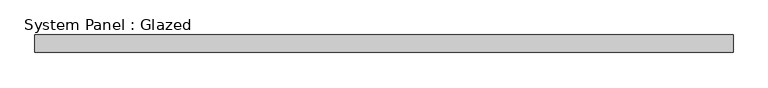
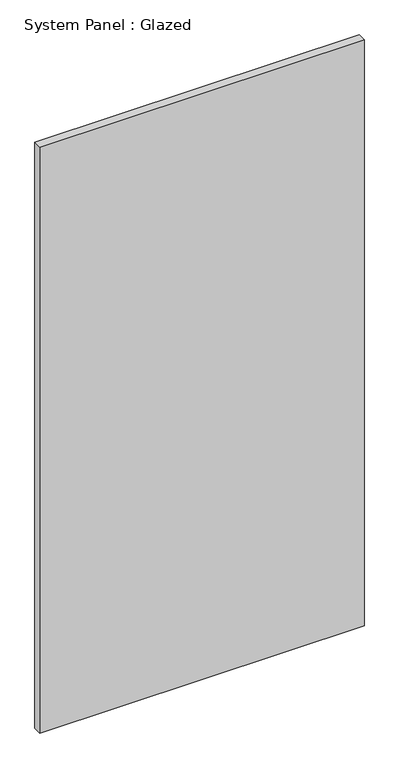
"""IFC4 building model written with IfcOpenShell, lengths in millimetres: plate geometry, System Panel : Glazed."""

import ifcopenshell
import ifcopenshell.guid

model = None  # the IFC model being written
_history = None  # IfcOwnerHistory: only IFC2X3 demands one
_inside = {}  # id of a spatial element -> (the spatial element, [elements in it])
_under = {}  # id of a project, library or spatial element -> (it, [spatial elements below it])
_declared = {}  # id of a project -> (the project, [libraries it declares])
_typed = {}  # id of a type object -> (the type object, [elements of that type])
_made_of = {}  # id of a material, layer set ... -> (it, [elements and type objects made of it])


def new_model(schema):
    """Start an empty IFC model of exactly this schema.

    Asked for "IFC4X3", IfcOpenShell would pick the latest addendum, in which some entities
    have other attributes; the version numbers below select the first issue.
    IFC2X3 requires an IfcOwnerHistory on every rooted entity: one is made here for all.
    """
    global model, _history
    if schema == "IFC4X3":
        model = ifcopenshell.file(schema_version=(4, 3, 0, 0))
    else:
        model = ifcopenshell.file(schema=schema)
    _inside.clear()
    _under.clear()
    _declared.clear()
    _typed.clear()
    _made_of.clear()
    _history = None
    if model.schema == "IFC2X3":
        org = make("IfcOrganization", Name="unknown")
        user = make(
            "IfcPersonAndOrganization",
            ThePerson=make("IfcPerson", FamilyName="unknown"),
            TheOrganization=org,
        )
        app = make(
            "IfcApplication",
            ApplicationDeveloper=org,
            Version="unknown",
            ApplicationFullName="unknown",
            ApplicationIdentifier="unknown",
        )
        _history = make(
            "IfcOwnerHistory",
            OwningUser=user,
            OwningApplication=app,
            ChangeAction="ADDED",
            CreationDate=0,
        )
    return model


def make(cls, **values):
    """One entity of the class cls with the attributes given. An attribute that is None is left unset."""
    return model.create_entity(
        cls, **{name: value for name, value in values.items() if value is not None}
    )


def rooted(cls, **values):
    """An entity with a GlobalId (a new one), such as an element, a storey or a relation."""
    return make(cls, GlobalId=ifcopenshell.guid.new(), OwnerHistory=_history, **values)


def si_unit(unit_type, name, prefix=None):
    """IfcSIUnit, for example si_unit("LENGTHUNIT", "METRE", prefix="MILLI")."""
    return make("IfcSIUnit", UnitType=unit_type, Prefix=prefix, Name=name)


def assignment(units):
    """IfcUnitAssignment: the units of a project."""
    return None if units is None else make("IfcUnitAssignment", Units=units)


def point(xyz):
    """IfcCartesianPoint."""
    return None if xyz is None else make("IfcCartesianPoint", Coordinates=xyz)


def direction(xyz):
    """IfcDirection."""
    return None if xyz is None else make("IfcDirection", DirectionRatios=xyz)


def frame(location, z_axis=None, x_axis=None):
    """IfcAxis2Placement3D, a coordinate frame: its origin and axes. An axis left out is left unset."""
    return make(
        "IfcAxis2Placement3D",
        Location=point(location),
        Axis=direction(z_axis),
        RefDirection=direction(x_axis),
    )


def origin():
    """The frame at (0, 0, 0) with its axes left unset."""
    return frame((0.0, 0.0, 0.0))


def origin_with_axes():
    """The frame at (0, 0, 0) with the z axis (0, 0, 1) and the x axis (1, 0, 0) written out."""
    return frame((0.0, 0.0, 0.0), z_axis=(0.0, 0.0, 1.0), x_axis=(1.0, 0.0, 0.0))


def place(relative_to, where):
    """IfcLocalPlacement: puts the frame where relative to a parent placement (None: the world)."""
    return make(
        "IfcLocalPlacement", PlacementRelTo=relative_to, RelativePlacement=where
    )


def context(
    kind, dimensions, precision=None, world=None, true_north=None, identifier=None
):
    """IfcGeometricRepresentationContext, for example the 3D "Model" context."""
    return make(
        "IfcGeometricRepresentationContext",
        ContextIdentifier=identifier,
        ContextType=kind,
        CoordinateSpaceDimension=dimensions,
        Precision=precision,
        WorldCoordinateSystem=world,
        TrueNorth=true_north,
    )


def project(units=None, contexts=None):
    """IfcProject with its units and contexts."""
    return rooted(
        "IfcProject",
        Name="project",
        RepresentationContexts=contexts,
        UnitsInContext=assignment(units),
    )


def spatial(cls, under=None, at=None, **own):
    """A site, building, storey or space (cls), placed at a placement, below another one or the project."""
    s = rooted(cls, ObjectPlacement=at, **own)
    if under is not None:
        _under.setdefault(under.id(), (under, []))[1].append(s)
    return s


def polyline(points):
    """IfcPolyline through the points."""
    return make("IfcPolyline", Points=[point(p) for p in points])


def outline(outer, holes=None, kind="AREA"):
    """IfcArbitraryClosedProfileDef: a profile drawn as a closed curve; with holes, ...WithVoids."""
    if holes is None:
        return make("IfcArbitraryClosedProfileDef", ProfileType=kind, OuterCurve=outer)
    return make(
        "IfcArbitraryProfileDefWithVoids",
        ProfileType=kind,
        OuterCurve=outer,
        InnerCurves=holes,
    )


def extrude(swept, where, along, depth):
    """IfcExtrudedAreaSolid: the profile swept, set in the frame where, extruded along a direction by depth."""
    return make(
        "IfcExtrudedAreaSolid",
        SweptArea=swept,
        Position=where,
        ExtrudedDirection=direction(along),
        Depth=depth,
    )


def shape(context_of_items, identifier, shape_type, items):
    """IfcShapeRepresentation: the items that make up one representation, for example the "Body"."""
    return make(
        "IfcShapeRepresentation",
        ContextOfItems=context_of_items,
        RepresentationIdentifier=identifier,
        RepresentationType=shape_type,
        Items=items,
    )


def source(mapping_origin, context_of_items, identifier, shape_type, items):
    """IfcRepresentationMap: a shape defined once, which mapped items show again and again."""
    return make(
        "IfcRepresentationMap",
        MappingOrigin=mapping_origin,
        MappedRepresentation=shape(context_of_items, identifier, shape_type, items),
    )


def transform(
    local_origin,
    x_axis=None,
    y_axis=None,
    z_axis=None,
    scale=None,
    scale2=None,
    scale3=None,
    uniform=True,
):
    """IfcCartesianTransformationOperator3D, or its non-uniform kind. x_axis, y_axis, z_axis: its Axis1, 2, 3."""
    if uniform:
        return make(
            "IfcCartesianTransformationOperator3D",
            Axis1=direction(x_axis),
            Axis2=direction(y_axis),
            LocalOrigin=point(local_origin),
            Scale=scale,
            Axis3=direction(z_axis),
        )
    return make(
        "IfcCartesianTransformationOperator3DnonUniform",
        Axis1=direction(x_axis),
        Axis2=direction(y_axis),
        LocalOrigin=point(local_origin),
        Scale=scale,
        Axis3=direction(z_axis),
        Scale2=scale2,
        Scale3=scale3,
    )


def mapped(mapping_source, mapping_target):
    """IfcMappedItem: shows the shape of a source again, moved by a transform."""
    return make(
        "IfcMappedItem", MappingSource=mapping_source, MappingTarget=mapping_target
    )


def made_of(thing, what):
    """Note that an element or type object is made of a material, layer set ...; save() writes the relation."""
    if what is not None:
        _made_of.setdefault(what.id(), (what, []))[1].append(thing)
    return thing


def element(
    cls,
    number,
    at=None,
    inside=None,
    cuts=None,
    type_object=None,
    material=None,
    context=None,
    identifier="Body",
    shape_type=None,
    held_by="IfcProductDefinitionShape",
    body=None,
    shapes=None,
    **own,
):
    """One element of the class cls, such as IfcWall. Its Tag is "e" and its number.

    at: its placement. inside: the storey or other place that contains it. cuts: it is an
    opening in that element (IfcRelVoidsElement). A single representation is given by context,
    identifier, shape_type and body (its items); several are given by shapes. held_by: the class
    of the entity that holds the representations. save() writes the other relations.
    """
    e = rooted(cls, Tag="e%d" % number, ObjectPlacement=at, **own)
    if body is not None:
        shapes = [shape(context, identifier, shape_type, body)]
    if shapes is not None:
        e.Representation = make(held_by, Representations=shapes)
    if inside is not None:
        _inside.setdefault(inside.id(), (inside, []))[1].append(e)
    if cuts is not None:
        rooted(
            "IfcRelVoidsElement", RelatingBuildingElement=cuts, RelatedOpeningElement=e
        )
    if type_object is not None:
        _typed.setdefault(type_object.id(), (type_object, []))[1].append(e)
    return made_of(e, material)


def aggregate(whole, parts):
    """IfcRelAggregates: a whole, such as a stair, and the parts it consists of."""
    return rooted("IfcRelAggregates", RelatingObject=whole, RelatedObjects=parts)


def save(model, path):
    """Write the relations noted so far, then the file.

    IfcRelAggregates (storeys below a building ...), IfcRelContainedInSpatialStructure (elements
    in a storey), IfcRelDefinesByType, IfcRelAssociatesMaterial and IfcRelDeclares: one each for
    every whole, place, type object, material and project.
    """
    for whole, parts in _under.values():
        aggregate(whole, parts)
    for where, things in _inside.values():
        rooted(
            "IfcRelContainedInSpatialStructure",
            RelatedElements=things,
            RelatingStructure=where,
        )
    for kind, things in _typed.values():
        rooted("IfcRelDefinesByType", RelatedObjects=things, RelatingType=kind)
    for what, things in _made_of.values():
        rooted("IfcRelAssociatesMaterial", RelatedObjects=things, RelatingMaterial=what)
    for by, libraries in _declared.values():
        rooted("IfcRelDeclares", RelatingContext=by, RelatedDefinitions=libraries)
    model.write(path)


def system_panel_glazed_37a8a19d(model_context):
    return source(origin(), model_context, "Body", "SweptSolid", [
        extrude(outline(polyline([(498.7235687, 24.5), (-498.7235687, 24.5), (-498.7235687, 49.5), (498.7235687, 49.5), (498.7235687, 24.5)])), origin_with_axes(), (0.0, 0.0, 1.0), 1905.0165053),
    ])


if __name__ == "__main__":
    model = new_model("IFC4")
    model_context = context("Model", 3, world=origin())
    ifc_project = project(units=[si_unit("LENGTHUNIT", "METRE", prefix="MILLI")], contexts=[model_context])
    site = spatial("IfcSite", under=ifc_project)
    building = spatial("IfcBuilding", under=site)
    placement = place(None, origin())
    system_panel_glazed_shape = system_panel_glazed_37a8a19d(model_context)
    element("IfcPlate", 1, ObjectType="System Panel : Glazed", at=placement, inside=building, context=model_context, shape_type="MappedRepresentation", body=[
        mapped(system_panel_glazed_shape, transform((0.0, 0.0, 0.0), x_axis=(1.0, 0.0, 0.0), y_axis=(0.0, 1.0, 0.0), z_axis=(0.0, 0.0, 1.0))),
    ])
    save(model, "model.ifc")
